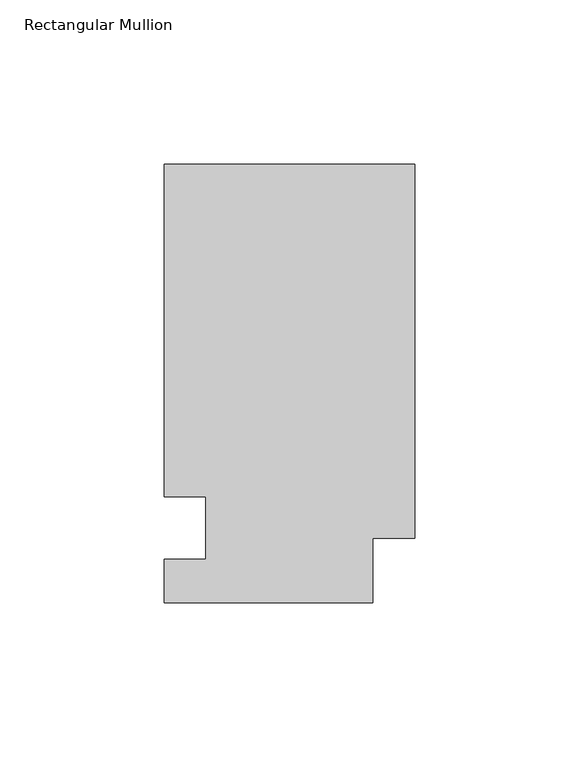
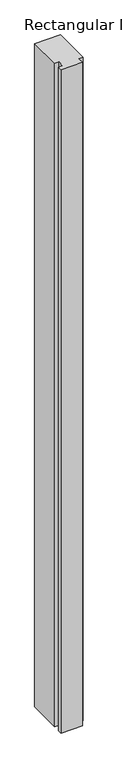
"""IFC4 building model written with IfcOpenShell, lengths in millimetres: member geometry, Rectangular Mullion."""

import ifcopenshell
import ifcopenshell.guid

model = None  # the IFC model being written
_history = None  # IfcOwnerHistory: only IFC2X3 demands one
_inside = {}  # id of a spatial element -> (the spatial element, [elements in it])
_under = {}  # id of a project, library or spatial element -> (it, [spatial elements below it])
_declared = {}  # id of a project -> (the project, [libraries it declares])
_typed = {}  # id of a type object -> (the type object, [elements of that type])
_made_of = {}  # id of a material, layer set ... -> (it, [elements and type objects made of it])


def new_model(schema):
    """Start an empty IFC model of exactly this schema.

    Asked for "IFC4X3", IfcOpenShell would pick the latest addendum, in which some entities
    have other attributes; the version numbers below select the first issue.
    IFC2X3 requires an IfcOwnerHistory on every rooted entity: one is made here for all.
    """
    global model, _history
    if schema == "IFC4X3":
        model = ifcopenshell.file(schema_version=(4, 3, 0, 0))
    else:
        model = ifcopenshell.file(schema=schema)
    _inside.clear()
    _under.clear()
    _declared.clear()
    _typed.clear()
    _made_of.clear()
    _history = None
    if model.schema == "IFC2X3":
        org = make("IfcOrganization", Name="unknown")
        user = make(
            "IfcPersonAndOrganization",
            ThePerson=make("IfcPerson", FamilyName="unknown"),
            TheOrganization=org,
        )
        app = make(
            "IfcApplication",
            ApplicationDeveloper=org,
            Version="unknown",
            ApplicationFullName="unknown",
            ApplicationIdentifier="unknown",
        )
        _history = make(
            "IfcOwnerHistory",
            OwningUser=user,
            OwningApplication=app,
            ChangeAction="ADDED",
            CreationDate=0,
        )
    return model


def make(cls, **values):
    """One entity of the class cls with the attributes given. An attribute that is None is left unset."""
    return model.create_entity(
        cls, **{name: value for name, value in values.items() if value is not None}
    )


def rooted(cls, **values):
    """An entity with a GlobalId (a new one), such as an element, a storey or a relation."""
    return make(cls, GlobalId=ifcopenshell.guid.new(), OwnerHistory=_history, **values)


def si_unit(unit_type, name, prefix=None):
    """IfcSIUnit, for example si_unit("LENGTHUNIT", "METRE", prefix="MILLI")."""
    return make("IfcSIUnit", UnitType=unit_type, Prefix=prefix, Name=name)


def assignment(units):
    """IfcUnitAssignment: the units of a project."""
    return None if units is None else make("IfcUnitAssignment", Units=units)


def point(xyz):
    """IfcCartesianPoint."""
    return None if xyz is None else make("IfcCartesianPoint", Coordinates=xyz)


def direction(xyz):
    """IfcDirection."""
    return None if xyz is None else make("IfcDirection", DirectionRatios=xyz)


def frame(location, z_axis=None, x_axis=None):
    """IfcAxis2Placement3D, a coordinate frame: its origin and axes. An axis left out is left unset."""
    return make(
        "IfcAxis2Placement3D",
        Location=point(location),
        Axis=direction(z_axis),
        RefDirection=direction(x_axis),
    )


def origin():
    """The frame at (0, 0, 0) with its axes left unset."""
    return frame((0.0, 0.0, 0.0))


def place(relative_to, where):
    """IfcLocalPlacement: puts the frame where relative to a parent placement (None: the world)."""
    return make(
        "IfcLocalPlacement", PlacementRelTo=relative_to, RelativePlacement=where
    )


def context(
    kind, dimensions, precision=None, world=None, true_north=None, identifier=None
):
    """IfcGeometricRepresentationContext, for example the 3D "Model" context."""
    return make(
        "IfcGeometricRepresentationContext",
        ContextIdentifier=identifier,
        ContextType=kind,
        CoordinateSpaceDimension=dimensions,
        Precision=precision,
        WorldCoordinateSystem=world,
        TrueNorth=true_north,
    )


def project(units=None, contexts=None):
    """IfcProject with its units and contexts."""
    return rooted(
        "IfcProject",
        Name="project",
        RepresentationContexts=contexts,
        UnitsInContext=assignment(units),
    )


def spatial(cls, under=None, at=None, **own):
    """A site, building, storey or space (cls), placed at a placement, below another one or the project."""
    s = rooted(cls, ObjectPlacement=at, **own)
    if under is not None:
        _under.setdefault(under.id(), (under, []))[1].append(s)
    return s


def polyline(points):
    """IfcPolyline through the points."""
    return make("IfcPolyline", Points=[point(p) for p in points])


def outline(outer, holes=None, kind="AREA"):
    """IfcArbitraryClosedProfileDef: a profile drawn as a closed curve; with holes, ...WithVoids."""
    if holes is None:
        return make("IfcArbitraryClosedProfileDef", ProfileType=kind, OuterCurve=outer)
    return make(
        "IfcArbitraryProfileDefWithVoids",
        ProfileType=kind,
        OuterCurve=outer,
        InnerCurves=holes,
    )


def extrude(swept, where, along, depth):
    """IfcExtrudedAreaSolid: the profile swept, set in the frame where, extruded along a direction by depth."""
    return make(
        "IfcExtrudedAreaSolid",
        SweptArea=swept,
        Position=where,
        ExtrudedDirection=direction(along),
        Depth=depth,
    )


def shape(context_of_items, identifier, shape_type, items):
    """IfcShapeRepresentation: the items that make up one representation, for example the "Body"."""
    return make(
        "IfcShapeRepresentation",
        ContextOfItems=context_of_items,
        RepresentationIdentifier=identifier,
        RepresentationType=shape_type,
        Items=items,
    )


def source(mapping_origin, context_of_items, identifier, shape_type, items):
    """IfcRepresentationMap: a shape defined once, which mapped items show again and again."""
    return make(
        "IfcRepresentationMap",
        MappingOrigin=mapping_origin,
        MappedRepresentation=shape(context_of_items, identifier, shape_type, items),
    )


def transform(
    local_origin,
    x_axis=None,
    y_axis=None,
    z_axis=None,
    scale=None,
    scale2=None,
    scale3=None,
    uniform=True,
):
    """IfcCartesianTransformationOperator3D, or its non-uniform kind. x_axis, y_axis, z_axis: its Axis1, 2, 3."""
    if uniform:
        return make(
            "IfcCartesianTransformationOperator3D",
            Axis1=direction(x_axis),
            Axis2=direction(y_axis),
            LocalOrigin=point(local_origin),
            Scale=scale,
            Axis3=direction(z_axis),
        )
    return make(
        "IfcCartesianTransformationOperator3DnonUniform",
        Axis1=direction(x_axis),
        Axis2=direction(y_axis),
        LocalOrigin=point(local_origin),
        Scale=scale,
        Axis3=direction(z_axis),
        Scale2=scale2,
        Scale3=scale3,
    )


def mapped(mapping_source, mapping_target):
    """IfcMappedItem: shows the shape of a source again, moved by a transform."""
    return make(
        "IfcMappedItem", MappingSource=mapping_source, MappingTarget=mapping_target
    )


def made_of(thing, what):
    """Note that an element or type object is made of a material, layer set ...; save() writes the relation."""
    if what is not None:
        _made_of.setdefault(what.id(), (what, []))[1].append(thing)
    return thing


def element(
    cls,
    number,
    at=None,
    inside=None,
    cuts=None,
    type_object=None,
    material=None,
    context=None,
    identifier="Body",
    shape_type=None,
    held_by="IfcProductDefinitionShape",
    body=None,
    shapes=None,
    **own,
):
    """One element of the class cls, such as IfcWall. Its Tag is "e" and its number.

    at: its placement. inside: the storey or other place that contains it. cuts: it is an
    opening in that element (IfcRelVoidsElement). A single representation is given by context,
    identifier, shape_type and body (its items); several are given by shapes. held_by: the class
    of the entity that holds the representations. save() writes the other relations.
    """
    e = rooted(cls, Tag="e%d" % number, ObjectPlacement=at, **own)
    if body is not None:
        shapes = [shape(context, identifier, shape_type, body)]
    if shapes is not None:
        e.Representation = make(held_by, Representations=shapes)
    if inside is not None:
        _inside.setdefault(inside.id(), (inside, []))[1].append(e)
    if cuts is not None:
        rooted(
            "IfcRelVoidsElement", RelatingBuildingElement=cuts, RelatedOpeningElement=e
        )
    if type_object is not None:
        _typed.setdefault(type_object.id(), (type_object, []))[1].append(e)
    return made_of(e, material)


def aggregate(whole, parts):
    """IfcRelAggregates: a whole, such as a stair, and the parts it consists of."""
    return rooted("IfcRelAggregates", RelatingObject=whole, RelatedObjects=parts)


def save(model, path):
    """Write the relations noted so far, then the file.

    IfcRelAggregates (storeys below a building ...), IfcRelContainedInSpatialStructure (elements
    in a storey), IfcRelDefinesByType, IfcRelAssociatesMaterial and IfcRelDeclares: one each for
    every whole, place, type object, material and project.
    """
    for whole, parts in _under.values():
        aggregate(whole, parts)
    for where, things in _inside.values():
        rooted(
            "IfcRelContainedInSpatialStructure",
            RelatedElements=things,
            RelatingStructure=where,
        )
    for kind, things in _typed.values():
        rooted("IfcRelDefinesByType", RelatedObjects=things, RelatingType=kind)
    for what, things in _made_of.values():
        rooted("IfcRelAssociatesMaterial", RelatedObjects=things, RelatingMaterial=what)
    for by, libraries in _declared.values():
        rooted("IfcRelDeclares", RelatingContext=by, RelatedDefinitions=libraries)
    model.write(path)


def rectangular_mullion_c63b6a0c(model_context):
    return source(origin(), model_context, "Body", "SweptSolid", [
        extrude(outline(polyline([(0.0, 133.4396937), (0.0, 19.5460937), (-12.7, 19.5460937), (-12.7, 0.0134937), (-76.2, 0.0134937), (-76.2, 13.1960937), (-63.5, 13.1960937), (-63.5, 32.2460938), (-76.2, 32.2460937), (-76.2, 133.4396937), (0.0, 133.4396937)])), frame((0.0, 0.0, -2057.4), z_axis=(0.0, 0.0, 1.0), x_axis=(1.0, 0.0, 0.0)), (0.0, 0.0, 1.0), 2057.4),
    ])


if __name__ == "__main__":
    model = new_model("IFC4")
    model_context = context("Model", 3, world=origin())
    ifc_project = project(units=[si_unit("LENGTHUNIT", "METRE", prefix="MILLI")], contexts=[model_context])
    site = spatial("IfcSite", under=ifc_project)
    building = spatial("IfcBuilding", under=site)
    placement = place(None, origin())
    rectangular_mullion_shape = rectangular_mullion_c63b6a0c(model_context)
    element("IfcMember", 1, ObjectType="Rectangular Mullion", at=placement, inside=building, context=model_context, shape_type="MappedRepresentation", body=[
        mapped(rectangular_mullion_shape, transform((0.0, 0.0, 0.0), x_axis=(1.0, 0.0, 0.0), y_axis=(0.0, 1.0, 0.0), z_axis=(0.0, 0.0, 1.0))),
    ])
    save(model, "model.ifc")
